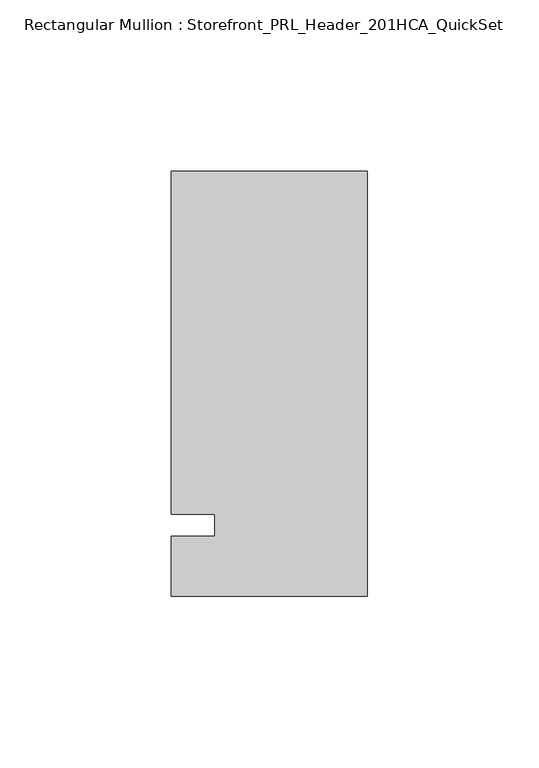
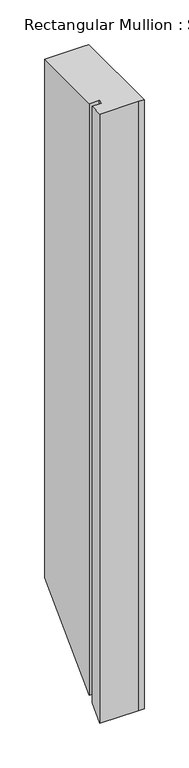
"""IFC4 building model written with IfcOpenShell, lengths in millimetres: member geometry, Rectangular Mullion : Storefront_PRL_Header_201HCA_QuickSet."""

from ifc_helpers import new_model, si_unit, origin, place, context, project, spatial, faceted_brep, source, transform, mapped, element, save


def rectangular_mullion_storefront_prl_header_201hca_quickset_f95bb15b(model_context):
    return source(origin(), model_context, "Body", "Brep", [
        faceted_brep([(-44.45, 3.175, 0.0), (-44.45, -3.175, 0.0), (-57.15, -3.175, 0.0), (-57.15, -20.6375, 0.0), (-7.7254924, -20.6375, 0.0), (0.0, -20.6375, 0.0), (0.0, 103.1875, 0.0), (-6.35, 103.1875, 0.0), (-57.15, 103.1875, 0.0), (-57.15, 3.175, 0.0), (-44.45, 3.175, -809.625), (-44.45, -3.175, -815.975), (-57.15, -3.175, -815.975), (-57.15, -20.6375, -833.4375), (-7.7254924, -20.6375, -833.4375), (0.0, -20.6375, -833.4375), (0.0, 103.1875, -709.6125), (-6.35, 103.1875, -709.6125), (-57.15, 103.1875, -709.6125), (-57.15, 3.175, -809.625)], [[[0, 1, 2, 3, 4, 5, 6, 7, 8, 9]], [[1, 0, 10, 11]], [[2, 1, 11, 12]], [[3, 2, 12, 13]], [[4, 3, 13, 14]], [[5, 4, 14, 15]], [[6, 5, 15, 16]], [[7, 6, 16, 17]], [[8, 7, 17, 18]], [[9, 8, 18, 19]], [[0, 9, 19, 10]], [[10, 19, 18, 17, 16, 15, 14, 13, 12, 11]]]),
    ])


if __name__ == "__main__":
    model = new_model("IFC4")
    model_context = context("Model", 3, world=origin())
    ifc_project = project(units=[si_unit("LENGTHUNIT", "METRE", prefix="MILLI")], contexts=[model_context])
    site = spatial("IfcSite", under=ifc_project)
    building = spatial("IfcBuilding", under=site)
    placement = place(None, origin())
    rectangular_mullion_storefront_prl_header_201hca_quickset_shape = rectangular_mullion_storefront_prl_header_201hca_quickset_f95bb15b(model_context)
    element("IfcMember", 1, ObjectType="Rectangular Mullion : Storefront_PRL_Header_201HCA_QuickSet", at=placement, inside=building, context=model_context, shape_type="MappedRepresentation", body=[
        mapped(rectangular_mullion_storefront_prl_header_201hca_quickset_shape, transform((0.0, 0.0, 0.0), x_axis=(1.0, 0.0, 0.0), y_axis=(0.0, 1.0, 0.0), z_axis=(0.0, 0.0, 1.0))),
    ])
    save(model, "model.ifc")
